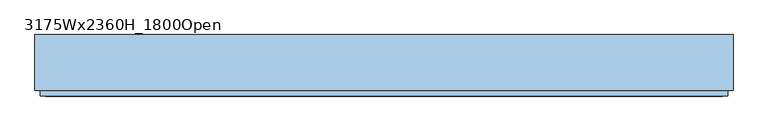
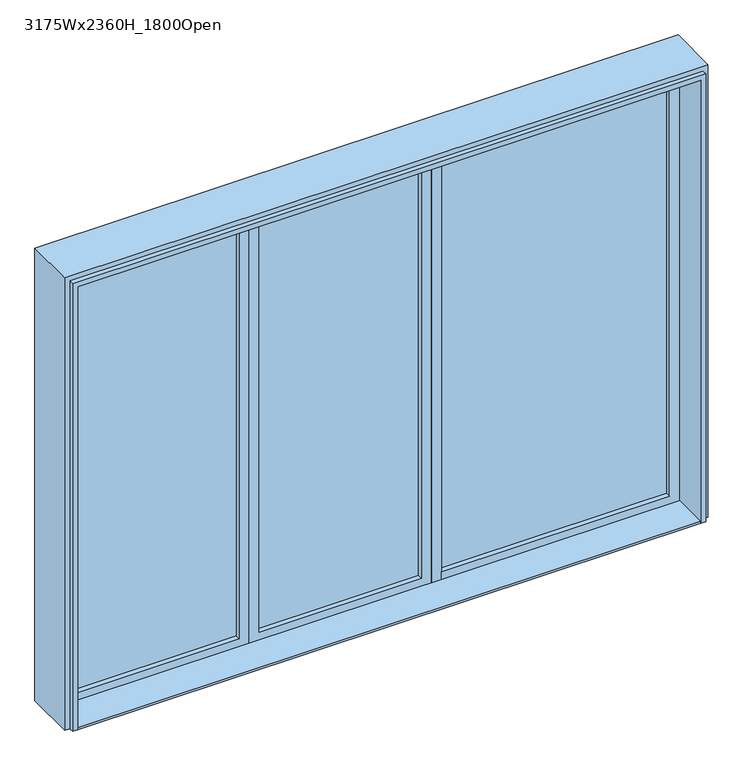
"""IFC4 building model written with IfcOpenShell, lengths in millimetres: window geometry, 3175Wx2360H_1800Open."""

from ifc_helpers import new_model, si_unit, frame, origin, origin_with_axes, place, context, project, spatial, polyline, outline, extrude, faceted_brep, source, transform, mapped, element, save


def window_3175wx2360h_1800open_60243ad1(model_context):
    return source(origin(), model_context, "Body", "SolidModel", [
        faceted_brep([(-1537.5, -272.0, 0.0), (-1562.5, -272.0, 0.0), (-1562.5, -247.0, 0.0), (-1587.5, -247.0, 0.0), (-1587.5, 8.0, 0.0), (-1537.5, 8.0, 0.0), (1562.5, -272.0, 0.0), (1537.5, -272.0, 0.0), (1537.5, 8.0, 0.0), (1587.5, 8.0, 0.0), (1587.5, -247.0, 0.0), (1562.5, -247.0, 0.0), (-1537.5, 8.0, 2310.0), (-1537.5, -272.0, 2310.0), (-1587.5, 8.0, 2360.0), (1587.5, 8.0, 2360.0), (1537.5, 8.0, 2310.0), (-1587.5, -247.0, 2360.0), (-1562.5, -247.0, 2335.0), (1562.5, -247.0, 2335.0), (1587.5, -247.0, 2360.0), (-1562.5, -272.0, 2335.0), (1537.5, -272.0, 2310.0), (1562.5, -272.0, 2335.0)], [[[0, 1, 2, 3, 4, 5]], [[6, 7, 8, 9, 10, 11]], [[5, 12, 13, 0]], [[14, 15, 9, 8, 16, 12, 5, 4]], [[17, 14, 4, 3]], [[2, 18, 19, 11, 10, 20, 17, 3]], [[1, 21, 18, 2]], [[0, 13, 22, 7, 6, 23, 21, 1]], [[19, 23, 6, 11]], [[15, 20, 10, 9]], [[7, 22, 16, 8]], [[19, 18, 21, 23]], [[13, 12, 16, 22]], [[20, 15, 14, 17]]]),
        extrude(outline(polyline([(0.0, 1537.5), (2310.0, 1537.5), (2310.0, 362.5), (2260.0, 362.5), (2260.0, 1487.5), (50.0, 1487.5), (50.0, 362.5), (0.0, 362.5), (0.0, 1537.5)])), frame((0.0, -92.0, 0.0), z_axis=(0.0, 1.0, 0.0), x_axis=(0.0, 0.0, 1.0)), (0.0, 0.0, 1.0), 100.0),
        extrude(outline(polyline([(2310.0, 362.5), (2310.0, -1537.5), (0.0, -1537.5), (0.0, -1487.5), (2260.0, -1487.5), (2260.0, 312.5), (0.0, 312.5), (0.0, 362.5), (2310.0, 362.5)])), frame((0.0, -92.0, 0.0), z_axis=(0.0, 1.0, 0.0), x_axis=(0.0, 0.0, 1.0)), (0.0, 0.0, 1.0), 100.0),
        extrude(outline(polyline([(1487.5, -67.0), (362.5, -67.0), (362.5, -49.0), (1487.5, -49.0), (1487.5, -67.0)])), frame((0.0, 0.0, 50.0), z_axis=(0.0, 0.0, 1.0), x_axis=(1.0, 0.0, 0.0)), (0.0, 0.0, 1.0), 2210.0),
        extrude(outline(polyline([(262.5, -67.0), (-537.5, -67.0), (-537.5, -49.0), (262.5, -49.0), (262.5, -67.0)])), frame((0.0, 0.0, 50.0), z_axis=(0.0, 0.0, 1.0), x_axis=(1.0, 0.0, 0.0)), (0.0, 0.0, 1.0), 2160.0),
        extrude(outline(polyline([(-637.5, -67.0), (-1437.5, -67.0), (-1437.5, -49.0), (-637.5, -49.0), (-637.5, -67.0)])), frame((0.0, 0.0, 50.0), z_axis=(0.0, 0.0, 1.0), x_axis=(1.0, 0.0, 0.0)), (0.0, 0.0, 1.0), 2160.0),
        extrude(outline(polyline([(2260.0, -587.5), (0.0, -587.5), (0.0, 312.5), (2260.0, 312.5), (2260.0, -587.5)]), holes=[polyline([(2210.0, -537.5), (2210.0, 262.5), (50.0, 262.5), (50.0, -537.5), (2210.0, -537.5)])]), frame((0.0, -92.0, 0.0), z_axis=(0.0, 1.0, 0.0), x_axis=(0.0, 0.0, 1.0)), (0.0, 0.0, 1.0), 100.0),
        extrude(outline(polyline([(2260.0, -587.5), (2260.0, -1487.5), (0.0, -1487.5), (0.0, -587.5), (2260.0, -587.5)]), holes=[polyline([(2210.0, -637.5), (50.0, -637.5), (50.0, -1437.5), (2210.0, -1437.5), (2210.0, -637.5)])]), frame((0.0, -92.0, 0.0), z_axis=(0.0, 1.0, 0.0), x_axis=(0.0, 0.0, 1.0)), (0.0, 0.0, 1.0), 100.0),
        extrude(outline(polyline([(1537.5, -92.0), (1537.5, -272.0), (-1537.5, -272.0), (-1537.5, -92.0), (1537.5, -92.0)])), origin_with_axes(), (0.0, 0.0, 1.0), 10.0),
    ])


if __name__ == "__main__":
    model = new_model("IFC4")
    model_context = context("Model", 3, world=origin())
    ifc_project = project(units=[si_unit("LENGTHUNIT", "METRE", prefix="MILLI")], contexts=[model_context])
    site = spatial("IfcSite", under=ifc_project)
    building = spatial("IfcBuilding", under=site)
    placement = place(None, origin())
    window_3175wx2360h_1800open_shape = window_3175wx2360h_1800open_60243ad1(model_context)
    element("IfcWindow", 1, ObjectType="3175Wx2360H_1800Open", at=placement, inside=building, context=model_context, shape_type="MappedRepresentation", body=[
        mapped(window_3175wx2360h_1800open_shape, transform((0.0, 0.0, 0.0), x_axis=(1.0, 0.0, 0.0), y_axis=(0.0, 1.0, 0.0), z_axis=(0.0, 0.0, 1.0))),
    ])
    save(model, "model.ifc")
